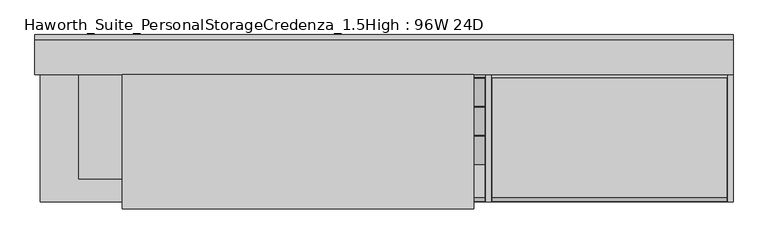
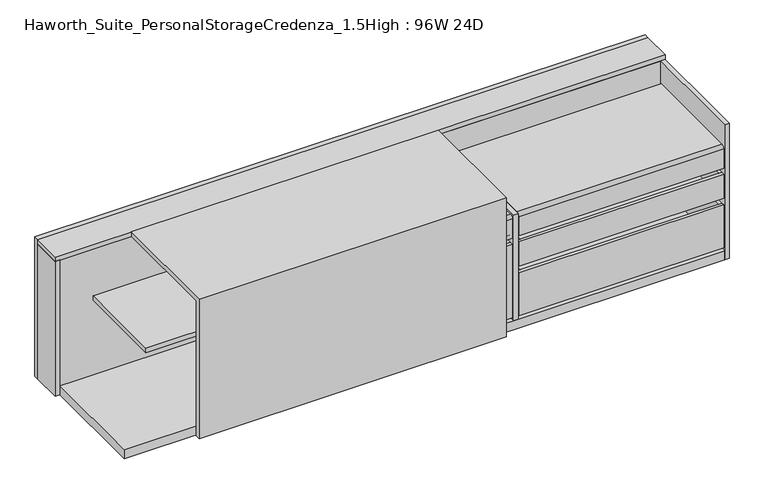
"""IFC4 building model written with IfcOpenShell, lengths in millimetres: furniture geometry, Haworth_Suite_PersonalStorageCredenza_1.5High : 96W 24D."""

from ifc_helpers import new_model, si_unit, point, frame, frame_2d, origin, origin_with_axes, place, context, project, spatial, polyline, circle_curve, trimmed, segment, composite_curve, outline, extrude, source, transform, mapped, element, save


def haworth_suite_personalstoragecredenza_1_5high_96w_24d_a3ae7d69(model_context):
    return source(origin(), model_context, "Body", "SweptSolid", [
        extrude(outline(polyline([(327.025, -582.6125), (327.025, -201.6125), (339.725, -201.6125), (339.725, -582.6125), (327.025, -582.6125)])), frame((0.0, 0.0, 50.8), z_axis=(0.0, 0.0, 1.0), x_axis=(1.0, 0.0, 0.0)), (0.0, 0.0, 1.0), 311.15),
        extrude(outline(polyline([(-9.525, -201.6125), (3.175, -201.6125), (3.175, -582.6125), (-9.525, -582.6125), (-9.525, -201.6125)])), frame((0.0, 0.0, 50.8), z_axis=(0.0, 0.0, 1.0), x_axis=(1.0, 0.0, 0.0)), (0.0, 0.0, 1.0), 311.15),
        extrude(outline(polyline([(-9.525, -201.6125), (-9.525, -188.9125), (339.725, -188.9125), (339.725, -201.6125), (-9.525, -201.6125)])), frame((0.0, 0.0, 50.8), z_axis=(0.0, 0.0, 1.0), x_axis=(1.0, 0.0, 0.0)), (0.0, 0.0, 1.0), 311.15),
        extrude(outline(polyline([(-9.525, -595.3125), (-9.525, -582.6125), (339.725, -582.6125), (339.725, -595.3125), (-9.525, -595.3125)])), frame((0.0, 0.0, 50.8), z_axis=(0.0, 0.0, 1.0), x_axis=(1.0, 0.0, 0.0)), (0.0, 0.0, 1.0), 311.15),
        extrude(outline(polyline([(3.175, -582.6125), (3.175, -201.6125), (327.025, -201.6125), (327.025, -582.6125), (3.175, -582.6125)])), frame((0.0, 0.0, 50.8), z_axis=(0.0, 0.0, 1.0), x_axis=(1.0, 0.0, 0.0)), (0.0, 0.0, 1.0), 12.7),
        extrude(outline(polyline([(-163.5125, 479.425), (-162.3785714, 478.2910714), (-263.9785714, 402.0910714), (-265.1125, 403.225), (-163.5125, 479.425)])), frame((-9.525, 0.0, 0.0), z_axis=(1.0, 0.0, 0.0), x_axis=(0.0, 1.0, 0.0)), (0.0, 0.0, 1.0), 349.25),
        extrude(outline(polyline([(-366.7125, 479.425), (-365.5785714, 478.2910714), (-467.1785714, 402.0910714), (-468.3125, 403.225), (-366.7125, 479.425)])), frame((-9.525, 0.0, 0.0), z_axis=(1.0, 0.0, 0.0), x_axis=(0.0, 1.0, 0.0)), (0.0, 0.0, 1.0), 349.25),
        extrude(outline(polyline([(0.0, -127.0), (0.0, 0.0), (349.25, 0.0), (349.25, -127.0), (0.0, -127.0)])), frame((-9.525, -264.16, 478.155), z_axis=(0.0, -0.5999999999999731, 0.8000000000000203), x_axis=(1.0, 0.0, 0.0)), (0.0, 0.0, 1.0), 1.5875),
        extrude(outline(polyline([(-9.525, -593.725), (-9.525, -163.5125), (339.725, -163.5125), (339.725, -593.725), (-9.525, -593.725)])), frame((0.0, 0.0, 387.35), z_axis=(0.0, 0.0, 1.0), x_axis=(1.0, 0.0, 0.0)), (0.0, 0.0, 1.0), 15.875),
        extrude(outline(composite_curve([segment(trimmed(circle_curve(frame_2d((-582.6125, 468.3125)), 12.7), [point((-595.3125, 468.3125))], [point((-582.6125, 481.0125))], False, "CARTESIAN"), True, "CONTINUOUS"), segment(polyline([(-582.6125, 481.0125), (-468.3125, 481.0125), (-468.3125, 479.425), (-582.6125, 479.425)]), True, "CONTINUOUS"), segment(trimmed(circle_curve(frame_2d((-582.6125, 468.3125)), 11.1125), [point((-582.6125, 479.425))], [point((-593.725, 468.3125))], True, "CARTESIAN"), True, "CONTINUOUS"), segment(polyline([(-593.725, 468.3125), (-593.725, 387.35), (-595.3125, 387.35), (-595.3125, 468.3125)]), True, "CONTINUOUS")], self_intersect=False)), frame((-9.525, 0.0, 0.0), z_axis=(1.0, 0.0, 0.0), x_axis=(0.0, 1.0, 0.0)), (0.0, 0.0, 1.0), 349.25),
        extrude(outline(composite_curve([segment(trimmed(circle_curve(frame_2d((-582.6125, 468.3125)), 12.7), [point((-595.3125, 468.3125))], [point((-582.6125, 481.0125))], False, "CARTESIAN"), True, "CONTINUOUS"), segment(polyline([(-582.6125, 481.0125), (-163.5125, 481.0125), (-163.5125, 479.425), (-582.6125, 479.425)]), True, "CONTINUOUS"), segment(trimmed(circle_curve(frame_2d((-582.6125, 468.3125)), 11.1125), [point((-582.6125, 479.425))], [point((-593.725, 468.3125))], True, "CARTESIAN"), True, "CONTINUOUS"), segment(polyline([(-593.725, 468.3125), (-593.725, 387.35), (-595.3125, 387.35), (-595.3125, 468.3125)]), True, "CONTINUOUS")], self_intersect=False)), frame((365.125, 0.0, 0.0), z_axis=(1.0, 0.0, 0.0), x_axis=(0.0, 1.0, 0.0)), (0.0, 0.0, 1.0), 819.15),
        extrude(outline(polyline([(1171.575, -582.6125), (1171.575, -201.6125), (1184.275, -201.6125), (1184.275, -582.6125), (1171.575, -582.6125)])), frame((0.0, 0.0, 260.35), z_axis=(0.0, 0.0, 1.0), x_axis=(1.0, 0.0, 0.0)), (0.0, 0.0, 1.0), 101.6),
        extrude(outline(polyline([(365.125, -201.6125), (377.825, -201.6125), (377.825, -582.6125), (365.125, -582.6125), (365.125, -201.6125)])), frame((0.0, 0.0, 260.35), z_axis=(0.0, 0.0, 1.0), x_axis=(1.0, 0.0, 0.0)), (0.0, 0.0, 1.0), 101.6),
        extrude(outline(polyline([(365.125, -201.6125), (365.125, -188.9125), (1184.275, -188.9125), (1184.275, -201.6125), (365.125, -201.6125)])), frame((0.0, 0.0, 260.35), z_axis=(0.0, 0.0, 1.0), x_axis=(1.0, 0.0, 0.0)), (0.0, 0.0, 1.0), 101.6),
        extrude(outline(polyline([(365.125, -595.3125), (365.125, -582.6125), (1184.275, -582.6125), (1184.275, -595.3125), (365.125, -595.3125)])), frame((0.0, 0.0, 260.35), z_axis=(0.0, 0.0, 1.0), x_axis=(1.0, 0.0, 0.0)), (0.0, 0.0, 1.0), 101.6),
        extrude(outline(polyline([(377.825, -582.6125), (377.825, -201.6125), (1171.575, -201.6125), (1171.575, -582.6125), (377.825, -582.6125)])), frame((0.0, 0.0, 260.35), z_axis=(0.0, 0.0, 1.0), x_axis=(1.0, 0.0, 0.0)), (0.0, 0.0, 1.0), 12.7),
        extrude(outline(polyline([(1171.575, -582.6125), (1171.575, -201.6125), (1184.275, -201.6125), (1184.275, -582.6125), (1171.575, -582.6125)])), frame((0.0, 0.0, 50.8), z_axis=(0.0, 0.0, 1.0), x_axis=(1.0, 0.0, 0.0)), (0.0, 0.0, 1.0), 180.975),
        extrude(outline(polyline([(365.125, -201.6125), (377.825, -201.6125), (377.825, -582.6125), (365.125, -582.6125), (365.125, -201.6125)])), frame((0.0, 0.0, 50.8), z_axis=(0.0, 0.0, 1.0), x_axis=(1.0, 0.0, 0.0)), (0.0, 0.0, 1.0), 180.975),
        extrude(outline(polyline([(365.125, -201.6125), (365.125, -188.9125), (1184.275, -188.9125), (1184.275, -201.6125), (365.125, -201.6125)])), frame((0.0, 0.0, 50.8), z_axis=(0.0, 0.0, 1.0), x_axis=(1.0, 0.0, 0.0)), (0.0, 0.0, 1.0), 180.975),
        extrude(outline(polyline([(365.125, -595.3125), (365.125, -582.6125), (1184.275, -582.6125), (1184.275, -595.3125), (365.125, -595.3125)])), frame((0.0, 0.0, 50.8), z_axis=(0.0, 0.0, 1.0), x_axis=(1.0, 0.0, 0.0)), (0.0, 0.0, 1.0), 180.975),
        extrude(outline(polyline([(377.825, -582.6125), (377.825, -201.6125), (1171.575, -201.6125), (1171.575, -582.6125), (377.825, -582.6125)])), frame((0.0, 0.0, 50.8), z_axis=(0.0, 0.0, 1.0), x_axis=(1.0, 0.0, 0.0)), (0.0, 0.0, 1.0), 12.7),
        extrude(outline(polyline([(-603.25, 0.0), (-622.3, 0.0), (-622.3, 588.9625), (-152.4, 588.9625), (-152.4, 569.9125), (-603.25, 569.9125), (-603.25, 0.0)])), frame((-927.1, 0.0, 0.0), z_axis=(1.0, 0.0, 0.0), x_axis=(0.0, 1.0, 0.0)), (0.0, 0.0, 1.0), 1227.1375),
        extrude(outline(polyline([(361.95, -596.9), (342.9, -596.9), (342.9, -152.4), (361.95, -152.4), (361.95, -596.9)])), frame((0.0, 0.0, 38.1), z_axis=(0.0, 0.0, 1.0), x_axis=(1.0, 0.0, 0.0)), (0.0, 0.0, 1.0), 444.5),
        extrude(outline(polyline([(596.9, -133.35), (577.85, -133.35), (577.85, -31.75), (596.9, -31.75), (596.9, -133.35)])), origin_with_axes(), (0.0, 0.0, 1.0), 569.9125),
        extrude(outline(polyline([(-12.7, -133.35), (-31.75, -133.35), (-31.75, -31.75), (-12.7, -31.75), (-12.7, -133.35)])), origin_with_axes(), (0.0, 0.0, 1.0), 569.9125),
        extrude(outline(polyline([(-12.7, -596.9), (-31.75, -596.9), (-31.75, -152.4), (-12.7, -152.4), (-12.7, -596.9)])), frame((0.0, 0.0, 38.1), z_axis=(0.0, 0.0, 1.0), x_axis=(1.0, 0.0, 0.0)), (0.0, 0.0, 1.0), 531.8125),
        extrude(outline(polyline([(-1212.85, -152.4), (-1231.9, -152.4), (-1231.9, -31.75), (-1212.85, -31.75), (-1212.85, -152.4)])), origin_with_axes(), (0.0, 0.0, 1.0), 569.9125),
        extrude(outline(polyline([(-31.75, -152.4), (-31.75, -517.525), (-1079.5, -517.525), (-1079.5, -152.4), (-31.75, -152.4)])), frame((0.0, 0.0, 352.425), z_axis=(0.0, 0.0, 1.0), x_axis=(1.0, 0.0, 0.0)), (0.0, 0.0, 1.0), 19.05),
        extrude(outline(polyline([(1206.5, -31.75), (1206.5, -152.4), (-1231.9, -152.4), (-1231.9, -31.75), (1206.5, -31.75)])), frame((0.0, 0.0, 569.9125), z_axis=(0.0, 0.0, 1.0), x_axis=(1.0, 0.0, 0.0)), (0.0, 0.0, 1.0), 19.05),
        extrude(outline(polyline([(1187.45, -133.35), (1187.45, -152.4), (-1212.85, -152.4), (-1212.85, -133.35), (1187.45, -133.35)])), origin_with_axes(), (0.0, 0.0, 1.0), 569.9125),
        extrude(outline(polyline([(1206.5, -12.7), (1206.5, -31.75), (-1231.9, -31.75), (-1231.9, -12.7), (1206.5, -12.7)])), origin_with_axes(), (0.0, 0.0, 1.0), 588.9625),
        extrude(outline(polyline([(1187.45, -152.4), (1187.45, -596.9), (-1212.85, -596.9), (-1212.85, -152.4), (1187.45, -152.4)])), origin_with_axes(), (0.0, 0.0, 1.0), 38.1),
        extrude(outline(polyline([(1206.5, -596.9), (1187.45, -596.9), (1187.45, -31.75), (1206.5, -31.75), (1206.5, -596.9)])), origin_with_axes(), (0.0, 0.0, 1.0), 569.9125),
    ])


if __name__ == "__main__":
    model = new_model("IFC4")
    model_context = context("Model", 3, world=origin())
    ifc_project = project(units=[si_unit("LENGTHUNIT", "METRE", prefix="MILLI")], contexts=[model_context])
    site = spatial("IfcSite", under=ifc_project)
    building = spatial("IfcBuilding", under=site)
    placement = place(None, origin())
    haworth_suite_personalstoragecredenza_1_5high_96w_24d_shape = haworth_suite_personalstoragecredenza_1_5high_96w_24d_a3ae7d69(model_context)
    element("IfcFurniture", 1, ObjectType="Haworth_Suite_PersonalStorageCredenza_1.5High : 96W 24D", at=placement, inside=building, context=model_context, shape_type="MappedRepresentation", body=[
        mapped(haworth_suite_personalstoragecredenza_1_5high_96w_24d_shape, transform((0.0, 0.0, 0.0), x_axis=(1.0, 0.0, 0.0), y_axis=(0.0, 1.0, 0.0), z_axis=(0.0, 0.0, 1.0))),
    ])
    save(model, "model.ifc")
